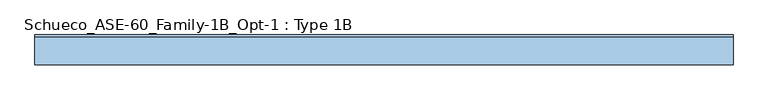
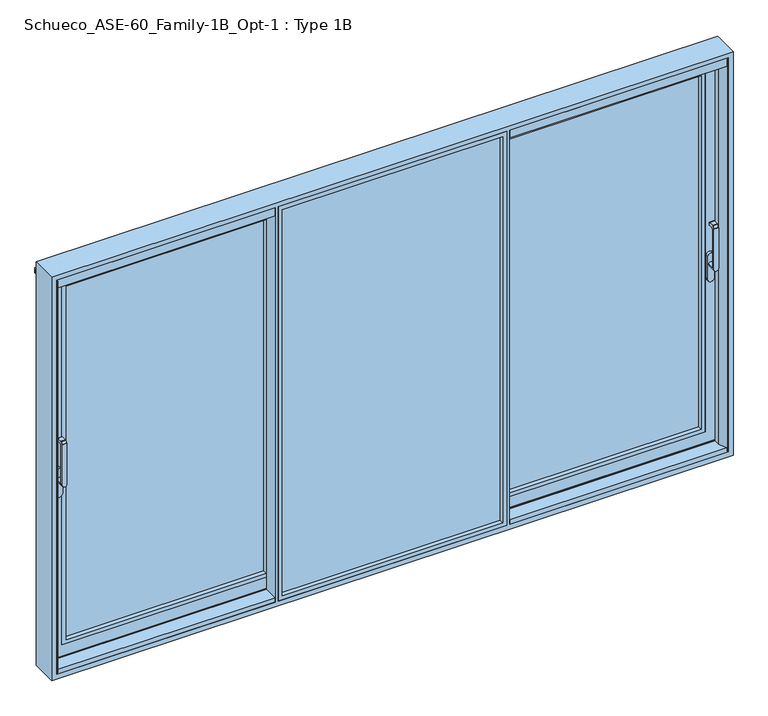
"""IFC4 building model written with IfcOpenShell, lengths in millimetres: window geometry, Schueco_ASE-60_Family-1B_Opt-1 : Type 1B."""

from ifc_helpers import new_model, si_unit, point, frame, frame_2d, origin, place, context, project, spatial, polyline, circle_curve, trimmed, segment, composite_curve, outline, extrude, faceted_brep, source, transform, mapped, element, save
from ifc_brep_helpers import plane_surface, cylinder_surface, revolved_surface, advanced_brep


def schueco_ase_60_family_1b_opt_1_type_1b_ee14cd4d(model_context):
    return source(origin(), model_context, "Body", "SolidModel", [
        advanced_brep(
        [(1723.75, -41.999944, 999.0), (1723.75, -41.999944, 1224.2360009), (1699.75, -41.999944, 1224.2360009), (1699.75, -41.999944, 999.0), (1723.75, 6.000056, 999.005052), (1699.75, 6.000056, 999.005052), (1699.75, -29.999944, 999.005052), (1723.75, -29.999944, 999.005052), (1699.75, -41.4141576, 1225.6502145), (1699.75, -30.6500975, 1236.4142746), (1699.75, -29.2358839, 1237.000061), (1699.75, -1.999944, 1237.000061), (1699.75, 5.6e-05, 1235.000061), (1699.75, 5.6e-05, 1224.000061), (1699.75, -1.999944, 1222.000061), (1699.75, -22.649284, 1222.000061), (1699.75, -29.999944, 1214.6494011), (1723.75, -29.999944, 1214.6494011), (1723.75, -22.649284, 1222.000061), (1723.75, -1.999944, 1222.000061), (1723.75, 5.6e-05, 1224.000061), (1723.75, 5.6e-05, 1235.000061), (1723.75, -1.999944, 1237.000061), (1723.75, -29.2358839, 1237.000061), (1723.75, -30.6500975, 1236.4142746), (1723.75, -41.4141576, 1225.6502145)],
        [
            (0, 1),
            (1, 2),
            (2, 3),
            (3, 0, circle_curve(frame((1711.75, -41.999944, 999.005052), z_axis=(0.0, -1.0, 0.0), x_axis=(-1.0000000000000009, 0.0, 0.0)), 12.0)),
            (4, 5, circle_curve(frame((1711.75, 6.000056, 999.005052), z_axis=(0.0, 1.0, 0.0), x_axis=(-1.0000000000000009, 0.0, 0.0)), 12.0)),
            (5, 4, circle_curve(frame((1711.75, 6.000056, 999.005052), z_axis=(0.0, 1.0, 0.0), x_axis=(-1.0000000000000009, 0.0, 0.0)), 12.0)),
            (3, 6),
            (6, 5),
            (4, 7),
            (7, 0),
            (6, 7, circle_curve(frame((1711.75, -29.999944, 999.005052), z_axis=(0.0, 1.0, 0.0), x_axis=(-1.0000000000000009, 0.0, 0.0)), 12.0)),
            (2, 8, circle_curve(frame((1699.75, -39.999944, 1224.2360009), z_axis=(-1.0, 0.0, 0.0), x_axis=(0.0, 0.0, -1.0)), 2.0)),
            (8, 9),
            (9, 10, circle_curve(frame((1699.75, -29.2358839, 1235.000061), z_axis=(-1.0, 0.0, 0.0), x_axis=(0.0, 0.0, -1.0)), 2.0)),
            (10, 11),
            (11, 12, circle_curve(frame((1699.75, -1.999944, 1235.000061), z_axis=(-1.0, 0.0, 0.0), x_axis=(0.0, 0.0, -1.0)), 2.0)),
            (12, 13),
            (13, 14, circle_curve(frame((1699.75, -1.999944, 1224.000061), z_axis=(-1.0, 0.0, 0.0), x_axis=(0.0, 0.0, -1.0)), 2.0)),
            (14, 15),
            (15, 16, circle_curve(frame((1699.75, -22.649284, 1214.6494011), z_axis=(1.0, 0.0, 0.0), x_axis=(0.0, 0.0, -1.0)), 7.35066)),
            (16, 6),
            (7, 17),
            (17, 18, circle_curve(frame((1723.75, -22.649284, 1214.6494011), z_axis=(-1.0, 0.0, 0.0), x_axis=(0.0, 0.0, -1.0)), 7.35066)),
            (18, 19),
            (19, 20, circle_curve(frame((1723.75, -1.999944, 1224.000061), z_axis=(1.0, 0.0, 0.0), x_axis=(0.0, 0.0, -1.0)), 2.0)),
            (20, 21),
            (21, 22, circle_curve(frame((1723.75, -1.999944, 1235.000061), z_axis=(1.0, 0.0, 0.0), x_axis=(0.0, 0.0, -1.0)), 2.0)),
            (22, 23),
            (23, 24, circle_curve(frame((1723.75, -29.2358839, 1235.000061), z_axis=(1.0, 0.0, 0.0), x_axis=(0.0, 0.0, -1.0)), 2.0)),
            (24, 25),
            (25, 1, circle_curve(frame((1723.75, -39.999944, 1224.2360009), z_axis=(1.0, 0.0, 0.0), x_axis=(0.0, 0.0, -1.0)), 2.0)),
            (16, 17),
            (15, 18),
            (14, 19),
            (13, 20),
            (12, 21),
            (11, 22),
            (10, 23),
            (9, 24),
            (8, 25),
        ],
        [
            plane_surface(frame((1699.75, -41.999944, 999.005052), z_axis=(0.0, -1.0, 0.0), x_axis=(0.0, 0.0, 1.0))),
            plane_surface(frame((1699.75, 6.000056, 999.005052), z_axis=(0.0, 1.0, 0.0), x_axis=(0.0, 0.0, -1.0))),
            cylinder_surface(frame((1711.75, 6.000056, 999.005052), z_axis=(0.0, -1.0000000000000009, 0.0), x_axis=(-1.0000000000000009, 0.0, 0.0)), 12.0),
            plane_surface(frame((1699.75, -41.999944, 1004.7503433), z_axis=(-1.0, 0.0, 0.0), x_axis=(0.0, 0.0, -1.0))),
            plane_surface(frame((1723.75, -41.999944, 1004.7503433), z_axis=(1.0, 0.0, 0.0), x_axis=(0.0, 0.0, 1.0))),
            plane_surface(frame((1699.75, -29.999944, 999.0), z_axis=(0.0, 1.0, 0.0), x_axis=(1.0, 0.0, 0.0))),
            revolved_surface(polyline([(1723.75, -22.649284, 1207.2987411), (1699.75, -22.649284, 1207.2987411)]), (1723.75, -22.649284, 1214.6494011), (1.0000000000000009, 0.0, 0.0)),
            plane_surface(frame((1699.75, -22.649284, 1222.000061), z_axis=(0.0, 0.0, -1.0), x_axis=(1.0, 0.0, 0.0))),
            cylinder_surface(frame((1723.75, -1.999944, 1224.000061), z_axis=(-1.0000000000000009, 0.0, 0.0), x_axis=(0.0, 0.0, -1.0)), 2.0),
            plane_surface(frame((1699.75, 5.6e-05, 1224.000061), z_axis=(0.0, 1.0, 0.0), x_axis=(1.0, 0.0, 0.0))),
            cylinder_surface(frame((1723.75, -1.999944, 1235.000061), z_axis=(-1.0000000000000009, 0.0, 0.0), x_axis=(0.0, 0.0, -1.0)), 2.0),
            plane_surface(frame((1699.75, -1.999944, 1237.000061), z_axis=(0.0, 0.0, 1.0), x_axis=(1.0, 0.0, 0.0))),
            cylinder_surface(frame((1723.75, -29.2358839, 1235.000061), z_axis=(-1.0000000000000009, 0.0, 0.0), x_axis=(0.0, 0.0, -1.0)), 2.0),
            plane_surface(frame((1699.75, -30.6500975, 1236.4142746), z_axis=(0.0, -0.7071067811865419, 0.7071067811865531), x_axis=(1.0, 0.0, 0.0))),
            cylinder_surface(frame((1723.75, -39.999944, 1224.2360009), z_axis=(-1.0000000000000009, 0.0, 0.0), x_axis=(0.0, 0.0, -1.0)), 2.0),
        ],
        [
            (0, [[1, 2, 3, 4]]),
            (1, [[5, 6]]),
            (2, [[7, 8, -5, 9, 10, -4]]),
            (2, [[-8, 11, -9, -6]]),
            (3, [[12, 13, 14, 15, 16, 17, 18, 19, 20, 21, -7, -3]]),
            (4, [[-1, -10, 22, 23, 24, 25, 26, 27, 28, 29, 30, 31]]),
            (5, [[32, -22, -11, -21]]),
            (6, [[33, -23, -32, -20]]),
            (7, [[34, -24, -33, -19]]),
            (8, [[35, -25, -34, -18]]),
            (9, [[36, -26, -35, -17]]),
            (10, [[37, -27, -36, -16]]),
            (11, [[38, -28, -37, -15]]),
            (12, [[39, -29, -38, -14]]),
            (13, [[40, -30, -39, -13]]),
            (14, [[-2, -31, -40, -12]]),
        ],
    ),
        extrude(outline(composite_curve([segment(polyline([(917.2823932, 1728.5), (1044.0099288, 1728.5)]), True, "CONTINUOUS"), segment(trimmed(circle_curve(frame_2d((1044.0099288, 1711.75)), 16.75), [point((1044.0099288, 1728.5))], [point((1044.0099288, 1695.0))], False, "CARTESIAN"), True, "CONTINUOUS"), segment(polyline([(1044.0099288, 1695.0), (917.2823932, 1695.0)]), True, "CONTINUOUS"), segment(trimmed(circle_curve(frame_2d((917.2823932, 1711.75)), 16.75), [point((917.2823932, 1695.0))], [point((917.2823932, 1728.5))], False, "CARTESIAN"), True, "CONTINUOUS")], self_intersect=False)), frame((0.0, 6.000056, 0.0), z_axis=(0.0, 1.0, 0.0), x_axis=(0.0, 0.0, 1.0)), (0.0, 0.0, 1.0), 13.9999695),
        extrude(outline(polyline([(596.6666667, 20.0000255), (596.6666667, 4.0000255), (576.6666667, 4.0000255), (576.6666667, 20.0000255), (596.6666667, 20.0000255)])), frame((0.0, 0.0, 4.0), z_axis=(0.0, 0.0, 1.0), x_axis=(1.0, 0.0, 0.0)), (0.0, 0.0, 1.0), 2127.0),
        faceted_brep([(1668.0, 80.0, 86.0), (616.6666667, 80.0, 86.0), (616.6666667, 68.9999911, 86.0), (1668.0, 68.9999911, 86.0), (594.6666667, 68.9999911, 64.0), (594.6666667, 20.0000255, 64.0), (1690.0, 20.0000255, 64.0), (1690.0, 68.9999911, 64.0), (1750.0017184, 80.0, 4.0), (1750.0017184, 74.5000332, 4.0), (616.6666667, 74.5000332, 4.0), (616.6666667, 68.9999911, 4.0), (594.6666667, 68.9999911, 4.0), (594.6666667, 25.5000255, 4.0), (1750.0, 25.5000255, 4.0), (1750.0, 20.0000255, 4.0), (576.6666667, 20.0000255, 4.0), (576.6666667, 80.0, 4.0), (1720.0, 25.5000255, 34.0), (594.6666667, 25.5000255, 34.0), (594.6666667, 68.9999911, 34.0), (616.6666667, 68.9999911, 34.0), (616.6666667, 74.5000332, 34.0), (1720.0, 74.5000332, 34.0), (1668.0, 80.0, 2049.0), (1668.0, 68.9999911, 2049.0), (1690.0, 68.9999911, 2071.0), (1690.0, 20.0000255, 2071.0), (1750.0, 20.0000255, 2131.0), (1750.0, 25.5000255, 2131.0), (1720.0, 25.5000255, 2101.0), (1720.0, 74.5000332, 2101.0), (1750.0017184, 74.5000332, 2131.0017184), (1750.0017184, 80.0, 2131.0017184), (616.6666667, 68.9999911, 2049.0), (616.6666667, 80.0, 2049.0), (594.6666667, 20.0000255, 2071.0), (594.6666667, 68.9999911, 2071.0), (576.6666667, 20.0000255, 2131.0), (594.6666667, 25.5000255, 2131.0), (594.6666667, 68.9999911, 2131.0), (616.6666667, 68.9999911, 2131.0), (616.6666667, 74.5000332, 2131.0), (576.6666667, 80.0, 2131.0), (616.6666667, 74.5000332, 2101.0), (616.6666667, 68.9999911, 2101.0), (594.6666667, 68.9999911, 2101.0), (594.6666667, 25.5000255, 2101.0)], [[[0, 1, 2, 3]], [[4, 5, 6, 7]], [[8, 9, 10, 11, 12, 13, 14, 15, 16, 17]], [[18, 19, 20, 21, 22, 23]], [[24, 0, 3, 25]], [[26, 7, 6, 27]], [[28, 15, 14, 29]], [[30, 18, 23, 31]], [[32, 9, 8, 33]], [[25, 34, 35, 24]], [[27, 36, 37, 26]], [[38, 28, 29, 39, 40, 41, 42, 32, 33, 43]], [[31, 44, 45, 46, 47, 30]], [[43, 17, 16, 38]], [[16, 15, 28, 38], [27, 6, 5, 36]], [[33, 8, 17, 43], [0, 24, 35, 1]], [[35, 34, 2, 1]], [[41, 45, 44, 42]], [[10, 22, 21, 11]], [[26, 37, 4, 7], [3, 2, 34, 25]], [[11, 21, 20, 12]], [[40, 46, 45, 41]], [[37, 36, 5, 4]], [[12, 20, 19, 13]], [[39, 47, 46, 40]], [[14, 13, 19, 18, 30, 47, 39, 29]], [[23, 22, 10, 9, 32, 42, 44, 31]]]),
        extrude(outline(polyline([(64.0, 594.6666667), (64.0, 1690.0), (2071.0, 1690.0), (2071.0, 594.6666667), (64.0, 594.6666667)]), holes=[polyline([(86.012649, 616.6793157), (2048.987351, 616.6793157), (2048.987351, 1667.987351), (86.012649, 1667.987351), (86.012649, 616.6793157)])]), frame((0.0, 20.0000255, 0.0), z_axis=(0.0, 1.0, 0.0), x_axis=(0.0, 0.0, 1.0)), (0.0, 0.0, 1.0), 22.9999656),
        extrude(outline(polyline([(1690.0, 68.9999911), (1690.0, 42.9999911), (594.6666667, 42.9999911), (594.6666667, 68.9999911), (1690.0, 68.9999911)])), frame((0.0, 0.0, 64.0), z_axis=(0.0, 0.0, 1.0), x_axis=(1.0, 0.0, 0.0)), (0.0, 0.0, 1.0), 2007.0),
        advanced_brep(
        [(-1723.75, -41.999944, 999.005052), (-1699.75, -41.999944, 999.005052), (-1699.75, -41.999944, 1224.2360009), (-1723.75, -41.999944, 1224.2360009), (-1723.75, 6.000056, 999.005052), (-1699.75, 6.000056, 999.005052), (-1723.75, -29.999944, 999.005052), (-1699.75, -29.999944, 999.005052), (-1699.75, -29.999944, 1214.6494011), (-1699.75, -22.649284, 1222.000061), (-1699.75, -1.999944, 1222.000061), (-1699.75, 5.6e-05, 1224.000061), (-1699.75, 5.6e-05, 1235.000061), (-1699.75, -1.999944, 1237.000061), (-1699.75, -29.2358839, 1237.000061), (-1699.75, -30.6500975, 1236.4142746), (-1699.75, -41.4141576, 1225.6502145), (-1723.75, -41.4141576, 1225.6502145), (-1723.75, -30.6500975, 1236.4142746), (-1723.75, -29.2358839, 1237.000061), (-1723.75, -1.999944, 1237.000061), (-1723.75, 5.6e-05, 1235.000061), (-1723.75, 5.6e-05, 1224.000061), (-1723.75, -1.999944, 1222.000061), (-1723.75, -22.649284, 1222.000061), (-1723.75, -29.999944, 1214.6494011)],
        [
            (0, 1, circle_curve(frame((-1711.75, -41.999944, 999.005052), z_axis=(0.0, -1.0, 0.0), x_axis=(1.0000000000000009, 0.0, 0.0)), 12.0)),
            (1, 2),
            (2, 3),
            (3, 0),
            (4, 5, circle_curve(frame((-1711.75, 6.000056, 999.005052), z_axis=(0.0, 1.0, 0.0), x_axis=(1.0000000000000009, 0.0, 0.0)), 12.0)),
            (5, 4, circle_curve(frame((-1711.75, 6.000056, 999.005052), z_axis=(0.0, 1.0, 0.0), x_axis=(1.0000000000000009, 0.0, 0.0)), 12.0)),
            (0, 6),
            (6, 4),
            (5, 7),
            (7, 1),
            (6, 7, circle_curve(frame((-1711.75, -29.999944, 999.005052), z_axis=(0.0, 1.0, 0.0), x_axis=(1.0000000000000009, 0.0, 0.0)), 12.0)),
            (7, 8),
            (8, 9, circle_curve(frame((-1699.75, -22.649284, 1214.6494011), z_axis=(-1.0, 0.0, 0.0), x_axis=(0.0, 0.0, -1.0)), 7.35066)),
            (9, 10),
            (10, 11, circle_curve(frame((-1699.75, -1.999944, 1224.000061), z_axis=(1.0, 0.0, 0.0), x_axis=(0.0, 0.0, -1.0)), 2.0)),
            (11, 12),
            (12, 13, circle_curve(frame((-1699.75, -1.999944, 1235.000061), z_axis=(1.0, 0.0, 0.0), x_axis=(0.0, 0.0, -1.0)), 2.0)),
            (13, 14),
            (14, 15, circle_curve(frame((-1699.75, -29.2358839, 1235.000061), z_axis=(1.0, 0.0, 0.0), x_axis=(0.0, 0.0, -1.0)), 2.0)),
            (15, 16),
            (16, 2, circle_curve(frame((-1699.75, -39.999944, 1224.2360009), z_axis=(1.0, 0.0, 0.0), x_axis=(0.0, 0.0, -1.0)), 2.0)),
            (3, 17, circle_curve(frame((-1723.75, -39.999944, 1224.2360009), z_axis=(-1.0, 0.0, 0.0), x_axis=(0.0, 0.0, -1.0)), 2.0)),
            (17, 18),
            (18, 19, circle_curve(frame((-1723.75, -29.2358839, 1235.000061), z_axis=(-1.0, 0.0, 0.0), x_axis=(0.0, 0.0, -1.0)), 2.0)),
            (19, 20),
            (20, 21, circle_curve(frame((-1723.75, -1.999944, 1235.000061), z_axis=(-1.0, 0.0, 0.0), x_axis=(0.0, 0.0, -1.0)), 2.0)),
            (21, 22),
            (22, 23, circle_curve(frame((-1723.75, -1.999944, 1224.000061), z_axis=(-1.0, 0.0, 0.0), x_axis=(0.0, 0.0, -1.0)), 2.0)),
            (23, 24),
            (24, 25, circle_curve(frame((-1723.75, -22.649284, 1214.6494011), z_axis=(1.0, 0.0, 0.0), x_axis=(0.0, 0.0, -1.0)), 7.35066)),
            (25, 6),
            (25, 8),
            (24, 9),
            (23, 10),
            (22, 11),
            (21, 12),
            (20, 13),
            (19, 14),
            (18, 15),
            (17, 16),
        ],
        [
            plane_surface(frame((-1699.75, -41.999944, 999.005052), z_axis=(0.0, -1.0, 0.0), x_axis=(0.0, 0.0, 1.0))),
            plane_surface(frame((-1699.75, 6.000056, 999.005052), z_axis=(0.0, 1.0, 0.0), x_axis=(0.0, 0.0, -1.0))),
            cylinder_surface(frame((-1711.75, 6.000056, 999.005052), z_axis=(0.0, -1.0000000000000009, 0.0), x_axis=(1.0000000000000009, 0.0, 0.0)), 12.0),
            plane_surface(frame((-1699.75, -41.999944, 1004.7503433), z_axis=(1.0, 0.0, 0.0), x_axis=(0.0, 0.0, -1.0))),
            plane_surface(frame((-1723.75, -41.999944, 1004.7503433), z_axis=(-1.0, 0.0, 0.0), x_axis=(0.0, 0.0, 1.0))),
            plane_surface(frame((-1699.75, -29.999944, 999.0), z_axis=(0.0, 1.0, 0.0), x_axis=(-1.0, 0.0, 0.0))),
            revolved_surface(polyline([(-1723.75, -22.649284, 1207.2987411), (-1699.75, -22.649284, 1207.2987411)]), (-1723.75, -22.649284, 1214.6494011), (-1.0000000000000009, 0.0, 0.0)),
            plane_surface(frame((-1699.75, -22.649284, 1222.000061), z_axis=(0.0, 0.0, -1.0), x_axis=(-1.0, 0.0, 0.0))),
            cylinder_surface(frame((-1723.75, -1.999944, 1224.000061), z_axis=(1.0000000000000009, 0.0, 0.0), x_axis=(0.0, 0.0, -1.0)), 2.0),
            plane_surface(frame((-1699.75, 5.6e-05, 1224.000061), z_axis=(0.0, 1.0, 0.0), x_axis=(-1.0, 0.0, 0.0))),
            cylinder_surface(frame((-1723.75, -1.999944, 1235.000061), z_axis=(1.0000000000000009, 0.0, 0.0), x_axis=(0.0, 0.0, -1.0)), 2.0),
            plane_surface(frame((-1699.75, -1.999944, 1237.000061), z_axis=(0.0, 0.0, 1.0), x_axis=(-1.0, 0.0, 0.0))),
            cylinder_surface(frame((-1723.75, -29.2358839, 1235.000061), z_axis=(1.0000000000000009, 0.0, 0.0), x_axis=(0.0, 0.0, -1.0)), 2.0),
            plane_surface(frame((-1699.75, -30.6500975, 1236.4142746), z_axis=(0.0, -0.7071067811865419, 0.7071067811865531), x_axis=(-1.0, 0.0, 0.0))),
            cylinder_surface(frame((-1723.75, -39.999944, 1224.2360009), z_axis=(1.0000000000000009, 0.0, 0.0), x_axis=(0.0, 0.0, -1.0)), 2.0),
        ],
        [
            (0, [[1, 2, 3, 4]]),
            (1, [[5, 6]]),
            (2, [[-1, 7, 8, -6, 9, 10]]),
            (2, [[-5, -8, 11, -9]]),
            (3, [[-2, -10, 12, 13, 14, 15, 16, 17, 18, 19, 20, 21]]),
            (4, [[22, 23, 24, 25, 26, 27, 28, 29, 30, 31, -7, -4]]),
            (5, [[-12, -11, -31, 32]]),
            (6, [[-13, -32, -30, 33]]),
            (7, [[-14, -33, -29, 34]]),
            (8, [[-15, -34, -28, 35]]),
            (9, [[-16, -35, -27, 36]]),
            (10, [[-17, -36, -26, 37]]),
            (11, [[-18, -37, -25, 38]]),
            (12, [[-19, -38, -24, 39]]),
            (13, [[-20, -39, -23, 40]]),
            (14, [[-21, -40, -22, -3]]),
        ],
    ),
        extrude(outline(composite_curve([segment(trimmed(circle_curve(frame_2d((917.2823932, -1711.75)), 16.75), [point((917.2823932, -1728.5))], [point((917.2823932, -1695.0))], False, "CARTESIAN"), True, "CONTINUOUS"), segment(polyline([(917.2823932, -1695.0), (1044.0099288, -1695.0)]), True, "CONTINUOUS"), segment(trimmed(circle_curve(frame_2d((1044.0099288, -1711.75)), 16.75), [point((1044.0099288, -1695.0))], [point((1044.0099288, -1728.5))], False, "CARTESIAN"), True, "CONTINUOUS"), segment(polyline([(1044.0099288, -1728.5), (917.2823932, -1728.5)]), True, "CONTINUOUS")], self_intersect=False)), frame((0.0, 6.000056, 0.0), z_axis=(0.0, 1.0, 0.0), x_axis=(0.0, 0.0, 1.0)), (0.0, 0.0, 1.0), 13.9999695),
        extrude(outline(polyline([(-596.6666667, 20.0000255), (-576.6666667, 20.0000255), (-576.6666667, 4.0000255), (-596.6666667, 4.0000255), (-596.6666667, 20.0000255)])), frame((0.0, 0.0, 4.0), z_axis=(0.0, 0.0, 1.0), x_axis=(1.0, 0.0, 0.0)), (0.0, 0.0, 1.0), 2127.0),
        faceted_brep([(-1668.0, 80.0, 86.0), (-1668.0, 68.9999911, 86.0), (-616.6666667, 68.9999911, 86.0), (-616.6666667, 80.0, 86.0), (-594.6666667, 68.9999911, 64.0), (-1690.0, 68.9999911, 64.0), (-1690.0, 20.0000255, 64.0), (-594.6666667, 20.0000255, 64.0), (-1750.0017184, 80.0, 4.0), (-576.6666667, 80.0, 4.0), (-576.6666667, 20.0000255, 4.0), (-1750.0, 20.0000255, 4.0), (-1750.0, 25.5000255, 4.0), (-594.6666667, 25.5000255, 4.0), (-594.6666667, 68.9999911, 4.0), (-616.6666667, 68.9999911, 4.0), (-616.6666667, 74.5000332, 4.0), (-1750.0017184, 74.5000332, 4.0), (-1720.0, 25.5000255, 34.0), (-1720.0, 74.5000332, 34.0), (-616.6666667, 74.5000332, 34.0), (-616.6666667, 68.9999911, 34.0), (-594.6666667, 68.9999911, 34.0), (-594.6666667, 25.5000255, 34.0), (-1668.0, 80.0, 2049.0), (-1668.0, 68.9999911, 2049.0), (-1690.0, 68.9999911, 2071.0), (-1690.0, 20.0000255, 2071.0), (-1750.0, 20.0000255, 2131.0), (-1750.0, 25.5000255, 2131.0), (-1720.0, 25.5000255, 2101.0), (-1720.0, 74.5000332, 2101.0), (-1750.0017184, 74.5000332, 2131.0017184), (-1750.0017184, 80.0, 2131.0017184), (-616.6666667, 80.0, 2049.0), (-616.6666667, 68.9999911, 2049.0), (-594.6666667, 68.9999911, 2071.0), (-594.6666667, 20.0000255, 2071.0), (-576.6666667, 20.0000255, 2131.0), (-576.6666667, 80.0, 2131.0), (-616.6666667, 74.5000332, 2131.0), (-616.6666667, 68.9999911, 2131.0), (-594.6666667, 68.9999911, 2131.0), (-594.6666667, 25.5000255, 2131.0), (-594.6666667, 25.5000255, 2101.0), (-594.6666667, 68.9999911, 2101.0), (-616.6666667, 68.9999911, 2101.0), (-616.6666667, 74.5000332, 2101.0)], [[[0, 1, 2, 3]], [[4, 5, 6, 7]], [[8, 9, 10, 11, 12, 13, 14, 15, 16, 17]], [[18, 19, 20, 21, 22, 23]], [[24, 25, 1, 0]], [[26, 27, 6, 5]], [[28, 29, 12, 11]], [[30, 31, 19, 18]], [[32, 33, 8, 17]], [[25, 24, 34, 35]], [[27, 26, 36, 37]], [[38, 39, 33, 32, 40, 41, 42, 43, 29, 28]], [[31, 30, 44, 45, 46, 47]], [[39, 38, 10, 9]], [[10, 38, 28, 11], [27, 37, 7, 6]], [[33, 39, 9, 8], [0, 3, 34, 24]], [[16, 15, 21, 20]], [[41, 40, 47, 46]], [[34, 3, 2, 35]], [[15, 14, 22, 21]], [[26, 5, 4, 36], [1, 25, 35, 2]], [[42, 41, 46, 45]], [[14, 13, 23, 22]], [[43, 42, 45, 44]], [[36, 4, 7, 37]], [[12, 29, 43, 44, 30, 18, 23, 13]], [[19, 31, 47, 40, 32, 17, 16, 20]]]),
        extrude(outline(polyline([(64.0, -594.6666667), (2071.0, -594.6666667), (2071.0, -1690.0), (64.0, -1690.0), (64.0, -594.6666667)]), holes=[polyline([(86.012649, -616.6793157), (86.012649, -1667.987351), (2048.987351, -1667.987351), (2048.987351, -616.6793157), (86.012649, -616.6793157)])]), frame((0.0, 20.0000255, 0.0), z_axis=(0.0, 1.0, 0.0), x_axis=(0.0, 0.0, 1.0)), (0.0, 0.0, 1.0), 22.9999656),
        extrude(outline(polyline([(-1690.0, 68.9999911), (-594.6666667, 68.9999911), (-594.6666667, 42.9999911), (-1690.0, 42.9999911), (-1690.0, 68.9999911)])), frame((0.0, 0.0, 64.0), z_axis=(0.0, 0.0, 1.0), x_axis=(1.0, 0.0, 0.0)), (0.0, 0.0, 1.0), 2007.0),
        extrude(outline(polyline([(-600.6666361, -10.9998071), (600.6666361, -10.9998071), (600.6666361, -36.9998071), (-600.6666361, -36.9998071), (-600.6666361, -10.9998071)])), frame((0.0, 0.0, -25.0), z_axis=(0.0, 0.0, 1.0), x_axis=(1.0, 0.0, 0.0)), (0.0, 0.0, 1.0), 2189.0),
        extrude(outline(polyline([(2164.0, -600.6666361), (-25.0, -600.6666361), (-25.0, 600.6666361), (2164.0, 600.6666361), (2164.0, -600.6666361)]), holes=[polyline([(2141.9998171, 578.6664532), (-2.9998171, 578.6664532), (-2.9998171, -578.6664532), (2141.9998171, -578.6664532), (2141.9998171, 578.6664532)])]), frame((0.0, -60.0, 0.0), z_axis=(0.0, 1.0, 0.0), x_axis=(0.0, 0.0, 1.0)), (0.0, 0.0, 1.0), 23.0001929),
        extrude(outline(polyline([(-1758.999904, -60.0), (-1764.0, -60.0), (-1764.0, -41.7002059), (-1753.7767036, -41.7002059), (-1742.0, -16.4449835), (-1742.0, 10.9997941), (-1758.0007202, 10.9997941), (-1758.0007202, 14.9997941), (-1739.0, 14.9997941), (-1739.0, -17.1100675), (-1758.999904, -60.0)])), frame((0.0, 0.0, -19.0), z_axis=(0.0, 0.0, 1.0), x_axis=(1.0, 0.0, 0.0)), (0.0, 0.0, 1.0), 2176.5),
        extrude(outline(polyline([(1758.999904, -60.0), (1739.0, -17.1100675), (1739.0, 14.9997941), (1758.0007202, 14.9997941), (1758.0007202, 10.9997941), (1742.0, 10.9997941), (1742.0, -16.4449835), (1753.7767036, -41.7002059), (1764.0, -41.7002059), (1764.0, -60.0), (1758.999904, -60.0)])), frame((0.0, 0.0, -19.0), z_axis=(0.0, 0.0, 1.0), x_axis=(1.0, 0.0, 0.0)), (0.0, 0.0, 1.0), 2176.5),
        faceted_brep([(1790.0, 80.0, -51.0), (1790.0, -60.0, -51.0), (-1790.0, -60.0, -51.0), (-1790.0, 80.0, -51.0), (1790.0, 80.0, 2190.0), (1790.0, -60.0, 2190.0), (-1790.0, -60.0, 2190.0), (1764.0, -60.0, 2164.0), (1764.0, -60.0, -25.0), (616.6666667, -60.0, -25.0), (616.6666667, -60.0, 2164.0), (-600.6666361, -60.0, 2164.0), (600.6666361, -60.0, 2164.0), (600.6666361, -60.0, -25.0), (-600.6666361, -60.0, -25.0), (-1764.0, -60.0, -25.0), (-1764.0, -60.0, 2164.0), (-616.6666667, -60.0, 2164.0), (-616.6666667, -60.0, -25.0), (-1790.0, 80.0, 2190.0), (1742.0, 0.0, -3.0), (1742.0, -10.9998071, -3.0), (1742.0, -10.9998071, 2142.0), (1742.0, 0.0, 2142.0), (-1764.0, -10.9998071, -25.0), (-1764.0, -10.9998071, 2164.0), (1764.0, -10.9998071, -25.0), (1764.0, -10.9998071, 2164.0), (616.6666667, -10.9998071, -25.0), (-616.6666667, -10.9998071, -25.0), (600.6666361, -10.9998071, -25.0), (-600.6666361, -10.9998071, -25.0), (616.6666667, 0.0, 2142.0), (616.6666667, 0.0, 2155.2007202), (1758.0007202, 0.0, 2155.2007202), (1758.0007202, 0.0, -25.0), (616.6666667, 0.0, -25.0), (616.6666667, 0.0, -3.0), (-1742.0, 0.0, 2142.0), (-1742.0, 0.0, -3.0), (-616.6666667, 0.0, -3.0), (-616.6666667, 0.0, -25.0), (-1758.0007202, 0.0, -25.0), (-1758.0007202, 0.0, 2155.2007202), (-616.6666667, 0.0, 2155.2007202), (-616.6666667, 0.0, 2142.0), (-596.6666667, 0.0, -25.0), (-596.6666667, 0.0, 2155.2007202), (596.6666667, 0.0, 2155.2007202), (596.6666667, 0.0, -25.0), (-576.6666667, 0.0, 2142.0), (-576.6666667, 0.0, -3.0), (576.6666667, 0.0, -3.0), (576.6666667, 0.0, 2142.0), (1758.0007202, 28.7999745, -25.0), (1758.0007202, 28.7999745, 2155.2007202), (-1758.0007202, 28.7999745, -25.0), (-1758.0007202, 28.7999745, 2155.2007202), (1750.0007202, 28.7999745, -11.0007902), (-1750.0007202, 28.7999745, -11.0007902), (-1750.0007202, 28.7999745, 2155.2007202), (1750.0007202, 28.7999745, 2155.2007202), (1741.9999672, 31.7120105, -3.0000372), (-1741.999931, 31.712024, -3.0000001), (-1741.9999979, 31.7119993, 2122.0), (-1746.7036773, 30.0, 2122.0), (-1746.7036773, 30.0, 2129.2), (-1741.9999981, 31.7119992, 2130.9119992), (-1741.9999989, 31.7119989, 2155.2007202), (1742.0, 31.7119985, 2155.2007202), (1742.0, 31.7119985, 2130.9119985), (1746.7036773, 30.0, 2129.2), (1746.7036773, 30.0, 2122.0), (1742.0, 31.7119985, 2122.0), (1742.0, 35.8, 2155.2007202), (1742.0, 35.8, 2135.0), (1742.0, 68.2882381, -3.0), (1742.0, 68.2882381, 2122.0), (1742.0, 68.2882381, 2142.0), (1742.0, 68.2882381, 2130.9117619), (1742.0, 64.2, 2135.0), (1742.0, 64.2, 2142.0), (-1742.0, 68.2882381, -3.0), (1750.0, 71.2, -11.0), (1746.7030271, 70.0, 2122.0), (1746.7030271, 70.0, 2129.2), (1750.0, 71.2, 2150.0), (-1750.0, 71.2, -11.0), (1758.0, 71.2, -19.0), (-1758.0, 71.2, -19.0), (-1758.0, 71.2, 2157.5), (1758.0, 71.2, 2157.5), (-1750.0, 71.2, 2150.0), (-1742.0, 68.2882381, 2142.0), (-1742.0, 68.2882381, 2130.9117619), (-1746.7030271, 70.0, 2129.2), (-1746.7030271, 70.0, 2122.0), (-1742.0, 68.2882381, 2122.0), (1758.0, 80.0, -19.0), (-1758.0, 80.0, -19.0), (-1758.0, 80.0, 2157.5), (1758.0, 80.0, 2157.5), (-1742.0, 64.2, 2142.0), (-1742.0, 64.2, 2135.0), (-1742.0, 35.8, 2135.0), (-1742.0, 35.8, 2155.2007202), (-1742.0, -10.9998071, -3.0), (-1742.0, -10.9998071, 2142.0), (-616.6666667, -10.9998071, 2142.0), (-616.6666667, -10.9998071, 2164.0), (-616.6666667, -10.9998071, -3.0), (616.6666667, -10.9998071, -3.0), (616.6666667, -10.9998071, 2164.0), (616.6666667, -10.9998071, 2142.0), (-600.6666361, -10.9998071, 2164.0), (600.6666361, -10.9998071, 2164.0), (-576.6666667, -10.9998071, -3.0), (-576.6666667, -10.9998071, 2142.0), (576.6666667, -10.9998071, 2142.0), (576.6666667, -10.9998071, -3.0), (616.6666667, 16.0, 2155.2007202), (596.6666667, 16.0, 2155.2007202), (-596.6666667, 16.0, 2155.2007202), (-616.6666667, 16.0, 2155.2007202), (-616.6666667, 16.0, -25.0), (-596.6666667, 16.0, -25.0), (596.6666667, 16.0, -25.0), (616.6666667, 16.0, -25.0)], [[[0, 1, 2, 3]], [[4, 5, 1, 0]], [[6, 2, 1, 5], [7, 8, 9, 10], [11, 12, 13, 14], [15, 16, 17, 18]], [[3, 2, 6, 19]], [[20, 21, 22, 23]], [[15, 24, 25, 16]], [[26, 8, 7, 27]], [[8, 26, 28, 9]], [[24, 15, 18, 29]], [[30, 31, 14, 13]], [[20, 23, 32, 33, 34, 35, 36, 37]], [[38, 39, 40, 41, 42, 43, 44, 45]], [[46, 47, 48, 49], [50, 51, 52, 53]], [[54, 35, 34, 55]], [[42, 56, 57, 43]], [[58, 59, 60, 57, 56, 54, 55, 61]], [[58, 62, 63, 59]], [[59, 63, 64, 65, 66, 67, 68, 60]], [[62, 58, 61, 69, 70, 71, 72, 73]], [[70, 69, 74, 75]], [[76, 62, 73, 77]], [[78, 79, 80, 81]], [[62, 76, 82, 63]], [[83, 76, 77, 84, 85, 79, 78, 86]], [[76, 83, 87, 82]], [[88, 89, 90, 91], [87, 83, 86, 92]], [[82, 87, 92, 93, 94, 95, 96, 97]], [[88, 98, 99, 89]], [[89, 99, 100, 90]], [[98, 88, 91, 101]], [[63, 82, 97, 64]], [[94, 93, 102, 103]], [[68, 67, 104, 105]], [[106, 39, 38, 107]], [[106, 107, 108, 109, 25, 24, 29, 110]], [[22, 21, 111, 28, 26, 27, 112, 113]], [[114, 31, 30, 115], [116, 117, 118, 119]], [[6, 5, 4, 19]], [[16, 25, 109, 17]], [[27, 7, 10, 112]], [[11, 114, 115, 12]], [[105, 74, 69, 61, 55, 34, 33, 120, 121, 48, 47, 122, 123, 44, 43, 57, 60, 68]], [[66, 71, 70, 75, 104, 67]], [[65, 72, 71, 66]], [[96, 84, 77, 73, 72, 65, 64, 97]], [[104, 75, 74, 105]], [[103, 80, 79, 85, 95, 94]], [[102, 81, 80, 103]], [[93, 78, 81, 102]], [[95, 85, 84, 96]], [[92, 86, 78, 93]], [[100, 101, 91, 90]], [[0, 3, 19, 4], [99, 98, 101, 100]], [[21, 20, 37, 111]], [[39, 106, 110, 40]], [[51, 116, 119, 52]], [[35, 54, 56, 42, 41, 124, 125, 46, 49, 126, 127, 36]], [[23, 22, 113, 32]], [[107, 38, 45, 108]], [[117, 50, 53, 118]], [[10, 9, 28, 111, 37, 36, 127, 120, 33, 32, 113, 112]], [[18, 17, 109, 108, 45, 44, 123, 124, 41, 40, 110, 29]], [[13, 12, 115, 30]], [[11, 14, 31, 114]], [[117, 116, 51, 50]], [[119, 118, 53, 52]], [[125, 122, 47, 46]], [[49, 48, 121, 126]], [[122, 125, 124, 123]], [[120, 127, 126, 121]]]),
        extrude(outline(polyline([(71.2000255, 2150.5), (71.2000255, 2157.5), (79.9996967, 2157.5), (92.6000233, 2150.225198), (92.6000233, 2121.5), (91.0000233, 2121.5), (91.0000233, 2149.0706861), (88.5243789, 2150.5), (71.2000255, 2150.5)])), frame((-1790.0, 0.0, 0.0), z_axis=(1.0, 0.0, 0.0), x_axis=(0.0, 1.0, 0.0)), (0.0, 0.0, 1.0), 3580.0),
        extrude(outline(polyline([(16.0, 0.0), (16.0, -11.0), (7.2, -11.0), (7.2, -3.0), (-40.5987802, -3.0), (-40.5987802, -25.0), (-60.0, -25.0), (-60.0, 0.0), (16.0, 0.0)])), frame((616.6666667, 0.0, 0.0), z_axis=(1.0, 0.0, 0.0), x_axis=(0.0, 1.0, 0.0)), (0.0, 0.0, 1.0), 1147.3333333),
        extrude(outline(polyline([(80.0, 0.0), (80.0, -11.0), (71.2, -11.0), (68.2882381, -3.0), (61.9001183, -3.0), (61.9001183, 0.0), (80.0, 0.0)])), frame((-1739.0, 0.0, 0.0), z_axis=(1.0, 0.0, 0.0), x_axis=(0.0, 1.0, 0.0)), (0.0, 0.0, 1.0), 3478.0),
        extrude(outline(polyline([(38.1001183, 0.0), (38.1001183, -3.0), (31.712024, -3.0), (28.7999745, -11.0007902), (28.7999745, -25.0), (20.0000255, -25.0), (20.0000255, 0.0), (38.1001183, 0.0)])), frame((-1739.0, 0.0, 0.0), z_axis=(1.0, 0.0, 0.0), x_axis=(0.0, 1.0, 0.0)), (0.0, 0.0, 1.0), 3478.0),
        extrude(outline(polyline([(16.0, 0.0), (16.0, -11.0), (7.2, -11.0), (7.2, -3.0), (-40.5987802, -3.0), (-40.5987802, -25.0), (-60.0, -25.0), (-60.0, 0.0), (16.0, 0.0)])), frame((-1764.0, 0.0, 0.0), z_axis=(1.0, 0.0, 0.0), x_axis=(0.0, 1.0, 0.0)), (0.0, 0.0, 1.0), 1147.3333333),
        extrude(outline(polyline([(-60.0, 2120.9), (-60.0, 2164.0), (-40.6, 2164.0), (-40.6, 2131.0), (-10.9998071, 2131.0), (-10.9998071, 2142.0), (0.0, 2142.0), (0.0, 2131.0), (16.0, 2131.0), (16.0, 2120.9), (-60.0, 2120.9)])), frame((616.6666667, 0.0, 0.0), z_axis=(1.0, 0.0, 0.0), x_axis=(0.0, 1.0, 0.0)), (0.0, 0.0, 1.0), 1147.3333333),
        extrude(outline(polyline([(-60.0, 2120.9), (-60.0, 2164.0), (-40.6, 2164.0), (-40.6, 2131.0), (-10.9998071, 2131.0), (-10.9998071, 2142.0), (0.0, 2142.0), (0.0, 2131.0), (16.0, 2131.0), (16.0, 2120.9), (-60.0, 2120.9)])), frame((-1764.0, 0.0, 0.0), z_axis=(1.0, 0.0, 0.0), x_axis=(0.0, 1.0, 0.0)), (0.0, 0.0, 1.0), 1147.3333333),
    ])


if __name__ == "__main__":
    model = new_model("IFC4")
    model_context = context("Model", 3, world=origin())
    ifc_project = project(units=[si_unit("LENGTHUNIT", "METRE", prefix="MILLI")], contexts=[model_context])
    site = spatial("IfcSite", under=ifc_project)
    building = spatial("IfcBuilding", under=site)
    placement = place(None, origin())
    schueco_ase_60_family_1b_opt_1_type_1b_shape = schueco_ase_60_family_1b_opt_1_type_1b_ee14cd4d(model_context)
    element("IfcWindow", 1, ObjectType="Schueco_ASE-60_Family-1B_Opt-1 : Type 1B", at=placement, inside=building, context=model_context, shape_type="MappedRepresentation", body=[
        mapped(schueco_ase_60_family_1b_opt_1_type_1b_shape, transform((0.0, 0.0, 0.0), x_axis=(1.0, 0.0, 0.0), y_axis=(0.0, 1.0, 0.0), z_axis=(0.0, 0.0, 1.0))),
    ])
    save(model, "model.ifc")
